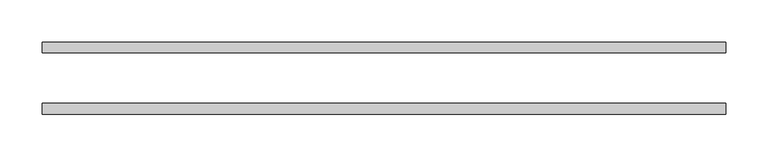
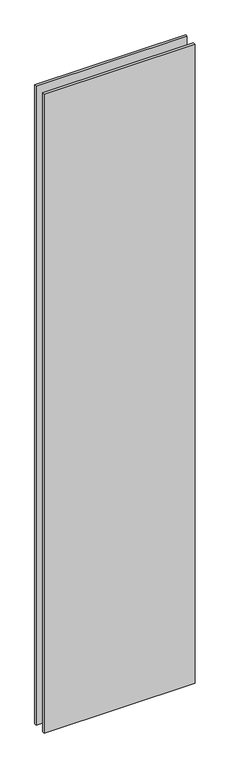
"""IFC4 building model written with IfcOpenShell, lengths in millimetres: plate geometry."""

from ifc_helpers import new_model, si_unit, origin, origin_with_axes, place, context, project, spatial, polyline, outline, extrude, source, transform, mapped, element, save


def plate_3540450e(model_context):
    return source(origin(), model_context, "Body", "SweptSolid", [
        extrude(outline(polyline([(406.2015625, 42.8355237), (406.2015625, 30.1355237), (-406.2015625, 30.1355237), (-406.2015625, 42.8355237), (406.2015625, 42.8355237)])), origin_with_axes(), (0.0, 0.0, 1.0), 3629.3723151),
        extrude(outline(polyline([(406.2015625, -42.8111299), (-406.2015625, -42.8111299), (-406.2015625, -30.1111299), (406.2015625, -30.1111299), (406.2015625, -42.8111299)])), origin_with_axes(), (0.0, 0.0, 1.0), 3629.3723151),
    ])


if __name__ == "__main__":
    model = new_model("IFC4")
    model_context = context("Model", 3, world=origin())
    ifc_project = project(units=[si_unit("LENGTHUNIT", "METRE", prefix="MILLI")], contexts=[model_context])
    site = spatial("IfcSite", under=ifc_project)
    building = spatial("IfcBuilding", under=site)
    placement = place(None, origin())
    plate_shape = plate_3540450e(model_context)
    element("IfcPlate", 1, at=placement, inside=building, context=model_context, shape_type="MappedRepresentation", body=[
        mapped(plate_shape, transform((0.0, 0.0, 0.0), x_axis=(1.0, 0.0, 0.0), y_axis=(0.0, 1.0, 0.0), z_axis=(0.0, 0.0, 1.0))),
    ])
    save(model, "model.ifc")
